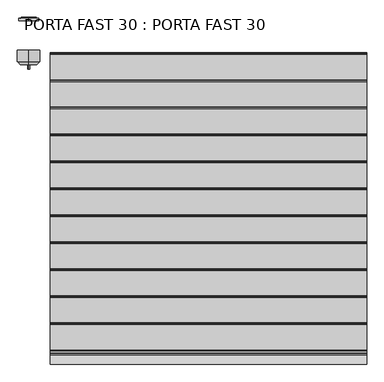
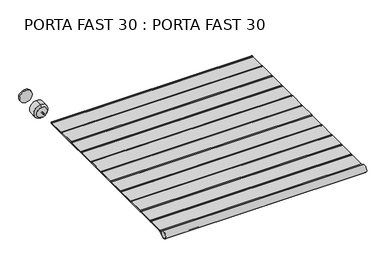
"""IFC4 building model written with IfcOpenShell, lengths in millimetres: proxy geometry, PORTA FAST 30 : PORTA FAST 30."""

from ifc_helpers import new_model, si_unit, point, frame, frame_2d, origin, place, context, project, spatial, polyline, circle_curve, trimmed, segment, composite_curve, outline, extrude, source, transform, mapped, element, save
from ifc_brep_helpers import plane_surface, cylinder_surface, revolved_surface, advanced_brep


def porta_fast_30_porta_fast_30_7d9c228d(model_context):
    return source(origin(), model_context, "Body", "SolidModel", [
        advanced_brep(
        [(-1080.0, 2130.1, 40.3354425), (-1080.0, 2130.1, 41.3883067), (1080.0, 2130.1, 41.3883067), (1080.0, 2130.1, 40.3354425), (-1080.0, 2130.1, 26.6009492), (-1080.0, 2130.1, 28.6637191), (1080.0, 2130.1, 28.6637191), (1080.0, 2130.1, 26.6009492), (-1080.0, 270.423037, 41.6982124), (-1080.0, 277.6216686, 34.4995808), (-1080.0, 284.8203002, 41.6982124), (-1080.0, 455.1599508, 41.6982124), (-1080.0, 462.3585824, 34.4995808), (-1080.0, 469.5572141, 41.6982124), (-1080.0, 639.8968646, 41.6982124), (-1080.0, 647.0954962, 34.4995808), (-1080.0, 654.2941279, 41.6982124), (-1080.0, 824.6337784, 41.6982124), (-1080.0, 831.83241, 34.4995808), (-1080.0, 839.0310417, 41.6982124), (-1080.0, 1009.3706922, 41.6982124), (-1080.0, 1016.5693238, 34.4995808), (-1080.0, 1023.7679555, 41.6982124), (-1080.0, 1194.107606, 41.6982124), (-1080.0, 1201.3062376, 34.4995808), (-1080.0, 1208.5048693, 41.6982124), (-1080.0, 1378.8445198, 41.6982124), (-1080.0, 1386.0431514, 34.4995808), (-1080.0, 1393.2417831, 41.6982124), (-1080.0, 1563.5814336, 41.6982124), (-1080.0, 1570.7800653, 34.4995808), (-1080.0, 1577.9786969, 41.6982124), (-1080.0, 1748.3183474, 41.6982124), (-1080.0, 1755.5169791, 34.4995808), (-1080.0, 1762.7156107, 41.6982124), (-1080.0, 1933.0552612, 41.6982124), (-1080.0, 1940.2538929, 34.4995808), (-1080.0, 1947.4525245, 41.6982124), (-1080.0, 2117.792175, 41.6982124), (-1080.0, 2124.9908067, 34.4995808), (-1080.0, 120.0, 26.6009492), (-1080.0, 120.0, 25.2009492), (-1080.0, 99.1431248, 25.2009492), (-1080.0, 63.2653061, -4.1084204), (-1080.0, 63.2653061, 55.9103188), (-1080.0, 92.6907338, 31.8720476), (-1080.0, 99.3927011, 41.6982124), (-1080.0, 2123.9908067, 34.4995808), (-1080.0, 2117.792175, 40.6982124), (-1080.0, 1947.4525245, 40.6982124), (-1080.0, 1947.4525245, 28.3009492), (-1080.0, 2127.2696703, 28.3009492), (-1080.0, 276.6216686, 34.4995808), (-1080.0, 270.423037, 40.6982124), (-1080.0, 99.3927011, 40.6982124), (-1080.0, 99.3927011, 28.3009492), (-1080.0, 279.9005322, 28.3009492), (-1080.0, 461.3585824, 34.4995808), (-1080.0, 455.1599508, 40.6982124), (-1080.0, 284.8203002, 40.6982124), (-1080.0, 284.8203002, 28.3009492), (-1080.0, 464.637446, 28.3009492), (-1080.0, 646.0954962, 34.4995808), (-1080.0, 639.8968646, 40.6982124), (-1080.0, 469.5572141, 40.6982124), (-1080.0, 469.5572141, 28.3009492), (-1080.0, 649.3743598, 28.3009492), (-1080.0, 830.83241, 34.4995808), (-1080.0, 824.6337784, 40.6982124), (-1080.0, 654.2941279, 40.6982124), (-1080.0, 654.2941279, 28.3009492), (-1080.0, 834.1112736, 28.3009492), (-1080.0, 1015.5693238, 34.4995808), (-1080.0, 1009.3706922, 40.6982124), (-1080.0, 839.0310417, 40.6982124), (-1080.0, 839.0310417, 28.3009492), (-1080.0, 1018.8481874, 28.3009492), (-1080.0, 1200.3062376, 34.4995808), (-1080.0, 1194.107606, 40.6982124), (-1080.0, 1023.7679555, 40.6982124), (-1080.0, 1023.7679555, 28.3009492), (-1080.0, 1203.5851012, 28.3009492), (-1080.0, 1385.0431514, 34.4995808), (-1080.0, 1378.8445198, 40.6982124), (-1080.0, 1208.5048693, 40.6982124), (-1080.0, 1208.5048693, 28.3009492), (-1080.0, 1388.322015, 28.3009492), (-1080.0, 1569.7800653, 34.4995808), (-1080.0, 1563.5814336, 40.6982124), (-1080.0, 1393.2417831, 40.6982124), (-1080.0, 1393.2417831, 28.3009492), (-1080.0, 1573.0589288, 28.3009492), (-1080.0, 1754.5169791, 34.4995808), (-1080.0, 1748.3183474, 40.6982124), (-1080.0, 1577.9786969, 40.6982124), (-1080.0, 1577.9786969, 28.3009492), (-1080.0, 1757.7958426, 28.3009492), (-1080.0, 1939.2538929, 34.4995808), (-1080.0, 1933.0552612, 40.6982124), (-1080.0, 1762.7156107, 40.6982124), (-1080.0, 1762.7156107, 28.3009492), (-1080.0, 1942.5327565, 28.3009492), (-1080.0, 62.6326531, -3.3339851), (-1080.0, 98.4193548, 25.9009492), (-1080.0, 62.6326531, 55.1358835), (1080.0, 270.423037, 41.6982124), (1080.0, 99.3927011, 41.6982124), (1080.0, 92.6907338, 31.8720476), (1080.0, 63.2653061, 55.9103188), (1080.0, 63.2653061, -4.1084204), (1080.0, 99.1431248, 25.2009492), (1080.0, 120.0, 25.2009492), (1080.0, 120.0, 26.6009492), (1080.0, 2124.9908067, 34.4995808), (1080.0, 2117.792175, 41.6982124), (1080.0, 1947.4525245, 41.6982124), (1080.0, 1940.2538929, 34.4995808), (1080.0, 1933.0552612, 41.6982124), (1080.0, 1762.7156107, 41.6982124), (1080.0, 1755.5169791, 34.4995808), (1080.0, 1748.3183474, 41.6982124), (1080.0, 1577.9786969, 41.6982124), (1080.0, 1570.7800653, 34.4995808), (1080.0, 1563.5814336, 41.6982124), (1080.0, 1393.2417831, 41.6982124), (1080.0, 1386.0431514, 34.4995808), (1080.0, 1378.8445198, 41.6982124), (1080.0, 1208.5048693, 41.6982124), (1080.0, 1201.3062376, 34.4995808), (1080.0, 1194.107606, 41.6982124), (1080.0, 1023.7679555, 41.6982124), (1080.0, 1016.5693238, 34.4995808), (1080.0, 1009.3706922, 41.6982124), (1080.0, 839.0310417, 41.6982124), (1080.0, 831.83241, 34.4995808), (1080.0, 824.6337784, 41.6982124), (1080.0, 654.2941279, 41.6982124), (1080.0, 647.0954962, 34.4995808), (1080.0, 639.8968646, 41.6982124), (1080.0, 469.5572141, 41.6982124), (1080.0, 462.3585824, 34.4995808), (1080.0, 455.1599508, 41.6982124), (1080.0, 284.8203002, 41.6982124), (1080.0, 277.6216686, 34.4995808), (1080.0, 2123.9908067, 34.4995808), (1080.0, 2127.2696703, 28.3009492), (1080.0, 1947.4525245, 28.3009492), (1080.0, 1947.4525245, 40.6982124), (1080.0, 2117.792175, 40.6982124), (1080.0, 276.6216686, 34.4995808), (1080.0, 279.9005322, 28.3009492), (1080.0, 99.3927011, 28.3009492), (1080.0, 99.3927011, 40.6982124), (1080.0, 270.423037, 40.6982124), (1080.0, 461.3585824, 34.4995808), (1080.0, 464.637446, 28.3009492), (1080.0, 284.8203002, 28.3009492), (1080.0, 284.8203002, 40.6982124), (1080.0, 455.1599508, 40.6982124), (1080.0, 646.0954962, 34.4995808), (1080.0, 649.3743598, 28.3009492), (1080.0, 469.5572141, 28.3009492), (1080.0, 469.5572141, 40.6982124), (1080.0, 639.8968646, 40.6982124), (1080.0, 830.83241, 34.4995808), (1080.0, 834.1112736, 28.3009492), (1080.0, 654.2941279, 28.3009492), (1080.0, 654.2941279, 40.6982124), (1080.0, 824.6337784, 40.6982124), (1080.0, 1015.5693238, 34.4995808), (1080.0, 1018.8481874, 28.3009492), (1080.0, 839.0310417, 28.3009492), (1080.0, 839.0310417, 40.6982124), (1080.0, 1009.3706922, 40.6982124), (1080.0, 1200.3062376, 34.4995808), (1080.0, 1203.5851012, 28.3009492), (1080.0, 1023.7679555, 28.3009492), (1080.0, 1023.7679555, 40.6982124), (1080.0, 1194.107606, 40.6982124), (1080.0, 1385.0431514, 34.4995808), (1080.0, 1388.322015, 28.3009492), (1080.0, 1208.5048693, 28.3009492), (1080.0, 1208.5048693, 40.6982124), (1080.0, 1378.8445198, 40.6982124), (1080.0, 1569.7800653, 34.4995808), (1080.0, 1573.0589288, 28.3009492), (1080.0, 1393.2417831, 28.3009492), (1080.0, 1393.2417831, 40.6982124), (1080.0, 1563.5814336, 40.6982124), (1080.0, 1754.5169791, 34.4995808), (1080.0, 1757.7958426, 28.3009492), (1080.0, 1577.9786969, 28.3009492), (1080.0, 1577.9786969, 40.6982124), (1080.0, 1748.3183474, 40.6982124), (1080.0, 1939.2538929, 34.4995808), (1080.0, 1942.5327565, 28.3009492), (1080.0, 1762.7156107, 28.3009492), (1080.0, 1762.7156107, 40.6982124), (1080.0, 1933.0552612, 40.6982124), (1080.0, 62.6326531, -3.3339851), (1080.0, 62.6326531, 55.1358835), (1080.0, 98.4193548, 25.9009492)],
        [
            (0, 1),
            (1, 2),
            (2, 3),
            (3, 0),
            (4, 5),
            (5, 6),
            (6, 7),
            (7, 4),
            (8, 9, circle_curve(frame((-1080.0, 270.423037, 34.4995808), z_axis=(-1.0, 0.0, 0.0), x_axis=(0.0, 1.0, 0.0)), 7.1986316)),
            (9, 10, circle_curve(frame((-1080.0, 284.8203002, 34.4995808), z_axis=(-1.0, 0.0, 0.0), x_axis=(0.0, 1.0, 0.0)), 7.1986316)),
            (10, 11),
            (11, 12, circle_curve(frame((-1080.0, 455.1599508, 34.4995808), z_axis=(-1.0, 0.0, 0.0), x_axis=(0.0, 1.0, 0.0)), 7.1986316)),
            (12, 13, circle_curve(frame((-1080.0, 469.5572141, 34.4995808), z_axis=(-1.0, 0.0, 0.0), x_axis=(0.0, 1.0, 0.0)), 7.1986316)),
            (13, 14),
            (14, 15, circle_curve(frame((-1080.0, 639.8968646, 34.4995808), z_axis=(-1.0, 0.0, 0.0), x_axis=(0.0, 1.0, 0.0)), 7.1986316)),
            (15, 16, circle_curve(frame((-1080.0, 654.2941279, 34.4995808), z_axis=(-1.0, 0.0, 0.0), x_axis=(0.0, 1.0, 0.0)), 7.1986316)),
            (16, 17),
            (17, 18, circle_curve(frame((-1080.0, 824.6337784, 34.4995808), z_axis=(-1.0, 0.0, 0.0), x_axis=(0.0, 1.0, 0.0)), 7.1986316)),
            (18, 19, circle_curve(frame((-1080.0, 839.0310417, 34.4995808), z_axis=(-1.0, 0.0, 0.0), x_axis=(0.0, 1.0, 0.0)), 7.1986316)),
            (19, 20),
            (20, 21, circle_curve(frame((-1080.0, 1009.3706922, 34.4995808), z_axis=(-1.0, 0.0, 0.0), x_axis=(0.0, 1.0, 0.0)), 7.1986316)),
            (21, 22, circle_curve(frame((-1080.0, 1023.7679555, 34.4995808), z_axis=(-1.0, 0.0, 0.0), x_axis=(0.0, 1.0, 0.0)), 7.1986316)),
            (22, 23),
            (23, 24, circle_curve(frame((-1080.0, 1194.107606, 34.4995808), z_axis=(-1.0, 0.0, 0.0), x_axis=(0.0, 1.0, 0.0)), 7.1986316)),
            (24, 25, circle_curve(frame((-1080.0, 1208.5048693, 34.4995808), z_axis=(-1.0, 0.0, 0.0), x_axis=(0.0, 1.0, 0.0)), 7.1986316)),
            (25, 26),
            (26, 27, circle_curve(frame((-1080.0, 1378.8445198, 34.4995808), z_axis=(-1.0, 0.0, 0.0), x_axis=(0.0, 1.0, 0.0)), 7.1986316)),
            (27, 28, circle_curve(frame((-1080.0, 1393.2417831, 34.4995808), z_axis=(-1.0, 0.0, 0.0), x_axis=(0.0, 1.0, 0.0)), 7.1986316)),
            (28, 29),
            (29, 30, circle_curve(frame((-1080.0, 1563.5814336, 34.4995808), z_axis=(-1.0, 0.0, 0.0), x_axis=(0.0, 1.0, 0.0)), 7.1986316)),
            (30, 31, circle_curve(frame((-1080.0, 1577.9786969, 34.4995808), z_axis=(-1.0, 0.0, 0.0), x_axis=(0.0, 1.0, 0.0)), 7.1986316)),
            (31, 32),
            (32, 33, circle_curve(frame((-1080.0, 1748.3183474, 34.4995808), z_axis=(-1.0, 0.0, 0.0), x_axis=(0.0, 1.0, 0.0)), 7.1986316)),
            (33, 34, circle_curve(frame((-1080.0, 1762.7156107, 34.4995808), z_axis=(-1.0, 0.0, 0.0), x_axis=(0.0, 1.0, 0.0)), 7.1986316)),
            (34, 35),
            (35, 36, circle_curve(frame((-1080.0, 1933.0552612, 34.4995808), z_axis=(-1.0, 0.0, 0.0), x_axis=(0.0, 1.0, 0.0)), 7.1986316)),
            (36, 37, circle_curve(frame((-1080.0, 1947.4525245, 34.4995808), z_axis=(-1.0, 0.0, 0.0), x_axis=(0.0, 1.0, 0.0)), 7.1986316)),
            (37, 38),
            (38, 39, circle_curve(frame((-1080.0, 2117.792175, 34.4995808), z_axis=(-1.0, 0.0, 0.0), x_axis=(0.0, 1.0, 0.0)), 7.1986316)),
            (39, 1, circle_curve(frame((-1080.0, 2132.1894383, 34.4995808), z_axis=(-1.0, 0.0, 0.0), x_axis=(0.0, 1.0, 0.0)), 7.1986316)),
            (0, 5, circle_curve(frame((-1080.0, 2132.1894383, 34.4995808), z_axis=(1.0, 0.0, 0.0), x_axis=(0.0, 1.0, 0.0)), 6.1986316)),
            (4, 40),
            (40, 41),
            (41, 42),
            (42, 43),
            (43, 44, circle_curve(frame((-1080.0, 38.75, 25.9009492), z_axis=(-1.0, 0.0, 0.0), x_axis=(0.0, 1.0, 0.0)), 38.75)),
            (44, 45),
            (45, 46, circle_curve(frame((-1080.0, 99.3927011, 34.4995808), z_axis=(-1.0, 0.0, 0.0), x_axis=(0.0, 1.0, 0.0)), 7.1986316)),
            (46, 8),
            (47, 48, circle_curve(frame((-1080.0, 2117.792175, 34.4995808), z_axis=(1.0, 0.0, 0.0), x_axis=(0.0, 1.0, 0.0)), 6.1986316)),
            (48, 49),
            (49, 50, circle_curve(frame((-1080.0, 1947.4525245, 34.4995808), z_axis=(1.0, 0.0, 0.0), x_axis=(0.0, 1.0, 0.0)), 6.1986316)),
            (50, 51),
            (51, 47, circle_curve(frame((-1080.0, 2131.4894383, 34.4995808), z_axis=(-1.0, 0.0, 0.0), x_axis=(0.0, 1.0, 0.0)), 7.4986316)),
            (52, 53, circle_curve(frame((-1080.0, 270.423037, 34.4995808), z_axis=(1.0, 0.0, 0.0), x_axis=(0.0, 1.0, 0.0)), 6.1986316)),
            (53, 54),
            (54, 55, circle_curve(frame((-1080.0, 99.3927011, 34.4995808), z_axis=(1.0, 0.0, 0.0), x_axis=(0.0, 1.0, 0.0)), 6.1986316)),
            (55, 56),
            (56, 52, circle_curve(frame((-1080.0, 284.1203002, 34.4995808), z_axis=(-1.0, 0.0, 0.0), x_axis=(0.0, 1.0, 0.0)), 7.4986316)),
            (57, 58, circle_curve(frame((-1080.0, 455.1599508, 34.4995808), z_axis=(1.0, 0.0, 0.0), x_axis=(0.0, 1.0, 0.0)), 6.1986316)),
            (58, 59),
            (59, 60, circle_curve(frame((-1080.0, 284.8203002, 34.4995808), z_axis=(1.0, 0.0, 0.0), x_axis=(0.0, 1.0, 0.0)), 6.1986316)),
            (60, 61),
            (61, 57, circle_curve(frame((-1080.0, 468.8572141, 34.4995808), z_axis=(-1.0, 0.0, 0.0), x_axis=(0.0, 1.0, 0.0)), 7.4986316)),
            (62, 63, circle_curve(frame((-1080.0, 639.8968646, 34.4995808), z_axis=(1.0, 0.0, 0.0), x_axis=(0.0, 1.0, 0.0)), 6.1986316)),
            (63, 64),
            (64, 65, circle_curve(frame((-1080.0, 469.5572141, 34.4995808), z_axis=(1.0, 0.0, 0.0), x_axis=(0.0, 1.0, 0.0)), 6.1986316)),
            (65, 66),
            (66, 62, circle_curve(frame((-1080.0, 653.5941279, 34.4995808), z_axis=(-1.0, 0.0, 0.0), x_axis=(0.0, 1.0, 0.0)), 7.4986316)),
            (67, 68, circle_curve(frame((-1080.0, 824.6337784, 34.4995808), z_axis=(1.0, 0.0, 0.0), x_axis=(0.0, 1.0, 0.0)), 6.1986316)),
            (68, 69),
            (69, 70, circle_curve(frame((-1080.0, 654.2941279, 34.4995808), z_axis=(1.0, 0.0, 0.0), x_axis=(0.0, 1.0, 0.0)), 6.1986316)),
            (70, 71),
            (71, 67, circle_curve(frame((-1080.0, 838.3310417, 34.4995808), z_axis=(-1.0, 0.0, 0.0), x_axis=(0.0, 1.0, 0.0)), 7.4986316)),
            (72, 73, circle_curve(frame((-1080.0, 1009.3706922, 34.4995808), z_axis=(1.0, 0.0, 0.0), x_axis=(0.0, 1.0, 0.0)), 6.1986316)),
            (73, 74),
            (74, 75, circle_curve(frame((-1080.0, 839.0310417, 34.4995808), z_axis=(1.0, 0.0, 0.0), x_axis=(0.0, 1.0, 0.0)), 6.1986316)),
            (75, 76),
            (76, 72, circle_curve(frame((-1080.0, 1023.0679555, 34.4995808), z_axis=(-1.0, 0.0, 0.0), x_axis=(0.0, 1.0, 0.0)), 7.4986316)),
            (77, 78, circle_curve(frame((-1080.0, 1194.107606, 34.4995808), z_axis=(1.0, 0.0, 0.0), x_axis=(0.0, 1.0, 0.0)), 6.1986316)),
            (78, 79),
            (79, 80, circle_curve(frame((-1080.0, 1023.7679555, 34.4995808), z_axis=(1.0, 0.0, 0.0), x_axis=(0.0, 1.0, 0.0)), 6.1986316)),
            (80, 81),
            (81, 77, circle_curve(frame((-1080.0, 1207.8048693, 34.4995808), z_axis=(-1.0, 0.0, 0.0), x_axis=(0.0, 1.0, 0.0)), 7.4986316)),
            (82, 83, circle_curve(frame((-1080.0, 1378.8445198, 34.4995808), z_axis=(1.0, 0.0, 0.0), x_axis=(0.0, 1.0, 0.0)), 6.1986316)),
            (83, 84),
            (84, 85, circle_curve(frame((-1080.0, 1208.5048693, 34.4995808), z_axis=(1.0, 0.0, 0.0), x_axis=(0.0, 1.0, 0.0)), 6.1986316)),
            (85, 86),
            (86, 82, circle_curve(frame((-1080.0, 1392.5417831, 34.4995808), z_axis=(-1.0, 0.0, 0.0), x_axis=(0.0, 1.0, 0.0)), 7.4986316)),
            (87, 88, circle_curve(frame((-1080.0, 1563.5814336, 34.4995808), z_axis=(1.0, 0.0, 0.0), x_axis=(0.0, 1.0, 0.0)), 6.1986316)),
            (88, 89),
            (89, 90, circle_curve(frame((-1080.0, 1393.2417831, 34.4995808), z_axis=(1.0, 0.0, 0.0), x_axis=(0.0, 1.0, 0.0)), 6.1986316)),
            (90, 91),
            (91, 87, circle_curve(frame((-1080.0, 1577.2786969, 34.4995808), z_axis=(-1.0, 0.0, 0.0), x_axis=(0.0, 1.0, 0.0)), 7.4986316)),
            (92, 93, circle_curve(frame((-1080.0, 1748.3183474, 34.4995808), z_axis=(1.0, 0.0, 0.0), x_axis=(0.0, 1.0, 0.0)), 6.1986316)),
            (93, 94),
            (94, 95, circle_curve(frame((-1080.0, 1577.9786969, 34.4995808), z_axis=(1.0, 0.0, 0.0), x_axis=(0.0, 1.0, 0.0)), 6.1986316)),
            (95, 96),
            (96, 92, circle_curve(frame((-1080.0, 1762.0156107, 34.4995808), z_axis=(-1.0, 0.0, 0.0), x_axis=(0.0, 1.0, 0.0)), 7.4986316)),
            (97, 98, circle_curve(frame((-1080.0, 1933.0552612, 34.4995808), z_axis=(1.0, 0.0, 0.0), x_axis=(0.0, 1.0, 0.0)), 6.1986316)),
            (98, 99),
            (99, 100, circle_curve(frame((-1080.0, 1762.7156107, 34.4995808), z_axis=(1.0, 0.0, 0.0), x_axis=(0.0, 1.0, 0.0)), 6.1986316)),
            (100, 101),
            (101, 97, circle_curve(frame((-1080.0, 1946.7525245, 34.4995808), z_axis=(-1.0, 0.0, 0.0), x_axis=(0.0, 1.0, 0.0)), 7.4986316)),
            (102, 103),
            (103, 104),
            (104, 102, circle_curve(frame((-1080.0, 38.75, 25.9009492), z_axis=(1.0, 0.0, 0.0), x_axis=(0.0, 1.0, 0.0)), 37.75)),
            (105, 106),
            (106, 107, circle_curve(frame((1080.0, 99.3927011, 34.4995808), z_axis=(1.0, 0.0, 0.0), x_axis=(0.0, 1.0, 0.0)), 7.1986316)),
            (107, 108),
            (108, 109, circle_curve(frame((1080.0, 38.75, 25.9009492), z_axis=(1.0, 0.0, 0.0), x_axis=(0.0, 1.0, 0.0)), 38.75)),
            (109, 110),
            (110, 111),
            (111, 112),
            (112, 7),
            (6, 3, circle_curve(frame((1080.0, 2132.1894383, 34.4995808), z_axis=(-1.0, 0.0, 0.0), x_axis=(0.0, 1.0, 0.0)), 6.1986316)),
            (2, 113, circle_curve(frame((1080.0, 2132.1894383, 34.4995808), z_axis=(1.0, 0.0, 0.0), x_axis=(0.0, 1.0, 0.0)), 7.1986316)),
            (113, 114, circle_curve(frame((1080.0, 2117.792175, 34.4995808), z_axis=(1.0, 0.0, 0.0), x_axis=(0.0, 1.0, 0.0)), 7.1986316)),
            (114, 115),
            (115, 116, circle_curve(frame((1080.0, 1947.4525245, 34.4995808), z_axis=(1.0, 0.0, 0.0), x_axis=(0.0, 1.0, 0.0)), 7.1986316)),
            (116, 117, circle_curve(frame((1080.0, 1933.0552612, 34.4995808), z_axis=(1.0, 0.0, 0.0), x_axis=(0.0, 1.0, 0.0)), 7.1986316)),
            (117, 118),
            (118, 119, circle_curve(frame((1080.0, 1762.7156107, 34.4995808), z_axis=(1.0, 0.0, 0.0), x_axis=(0.0, 1.0, 0.0)), 7.1986316)),
            (119, 120, circle_curve(frame((1080.0, 1748.3183474, 34.4995808), z_axis=(1.0, 0.0, 0.0), x_axis=(0.0, 1.0, 0.0)), 7.1986316)),
            (120, 121),
            (121, 122, circle_curve(frame((1080.0, 1577.9786969, 34.4995808), z_axis=(1.0, 0.0, 0.0), x_axis=(0.0, 1.0, 0.0)), 7.1986316)),
            (122, 123, circle_curve(frame((1080.0, 1563.5814336, 34.4995808), z_axis=(1.0, 0.0, 0.0), x_axis=(0.0, 1.0, 0.0)), 7.1986316)),
            (123, 124),
            (124, 125, circle_curve(frame((1080.0, 1393.2417831, 34.4995808), z_axis=(1.0, 0.0, 0.0), x_axis=(0.0, 1.0, 0.0)), 7.1986316)),
            (125, 126, circle_curve(frame((1080.0, 1378.8445198, 34.4995808), z_axis=(1.0, 0.0, 0.0), x_axis=(0.0, 1.0, 0.0)), 7.1986316)),
            (126, 127),
            (127, 128, circle_curve(frame((1080.0, 1208.5048693, 34.4995808), z_axis=(1.0, 0.0, 0.0), x_axis=(0.0, 1.0, 0.0)), 7.1986316)),
            (128, 129, circle_curve(frame((1080.0, 1194.107606, 34.4995808), z_axis=(1.0, 0.0, 0.0), x_axis=(0.0, 1.0, 0.0)), 7.1986316)),
            (129, 130),
            (130, 131, circle_curve(frame((1080.0, 1023.7679555, 34.4995808), z_axis=(1.0, 0.0, 0.0), x_axis=(0.0, 1.0, 0.0)), 7.1986316)),
            (131, 132, circle_curve(frame((1080.0, 1009.3706922, 34.4995808), z_axis=(1.0, 0.0, 0.0), x_axis=(0.0, 1.0, 0.0)), 7.1986316)),
            (132, 133),
            (133, 134, circle_curve(frame((1080.0, 839.0310417, 34.4995808), z_axis=(1.0, 0.0, 0.0), x_axis=(0.0, 1.0, 0.0)), 7.1986316)),
            (134, 135, circle_curve(frame((1080.0, 824.6337784, 34.4995808), z_axis=(1.0, 0.0, 0.0), x_axis=(0.0, 1.0, 0.0)), 7.1986316)),
            (135, 136),
            (136, 137, circle_curve(frame((1080.0, 654.2941279, 34.4995808), z_axis=(1.0, 0.0, 0.0), x_axis=(0.0, 1.0, 0.0)), 7.1986316)),
            (137, 138, circle_curve(frame((1080.0, 639.8968646, 34.4995808), z_axis=(1.0, 0.0, 0.0), x_axis=(0.0, 1.0, 0.0)), 7.1986316)),
            (138, 139),
            (139, 140, circle_curve(frame((1080.0, 469.5572141, 34.4995808), z_axis=(1.0, 0.0, 0.0), x_axis=(0.0, 1.0, 0.0)), 7.1986316)),
            (140, 141, circle_curve(frame((1080.0, 455.1599508, 34.4995808), z_axis=(1.0, 0.0, 0.0), x_axis=(0.0, 1.0, 0.0)), 7.1986316)),
            (141, 142),
            (142, 143, circle_curve(frame((1080.0, 284.8203002, 34.4995808), z_axis=(1.0, 0.0, 0.0), x_axis=(0.0, 1.0, 0.0)), 7.1986316)),
            (143, 105, circle_curve(frame((1080.0, 270.423037, 34.4995808), z_axis=(1.0, 0.0, 0.0), x_axis=(0.0, 1.0, 0.0)), 7.1986316)),
            (144, 145, circle_curve(frame((1080.0, 2131.4894383, 34.4995808), z_axis=(1.0, 0.0, 0.0), x_axis=(0.0, 1.0, 0.0)), 7.4986316)),
            (145, 146),
            (146, 147, circle_curve(frame((1080.0, 1947.4525245, 34.4995808), z_axis=(-1.0, 0.0, 0.0), x_axis=(0.0, 1.0, 0.0)), 6.1986316)),
            (147, 148),
            (148, 144, circle_curve(frame((1080.0, 2117.792175, 34.4995808), z_axis=(-1.0, 0.0, 0.0), x_axis=(0.0, 1.0, 0.0)), 6.1986316)),
            (149, 150, circle_curve(frame((1080.0, 284.1203002, 34.4995808), z_axis=(1.0, 0.0, 0.0), x_axis=(0.0, 1.0, 0.0)), 7.4986316)),
            (150, 151),
            (151, 152, circle_curve(frame((1080.0, 99.3927011, 34.4995808), z_axis=(-1.0, 0.0, 0.0), x_axis=(0.0, 1.0, 0.0)), 6.1986316)),
            (152, 153),
            (153, 149, circle_curve(frame((1080.0, 270.423037, 34.4995808), z_axis=(-1.0, 0.0, 0.0), x_axis=(0.0, 1.0, 0.0)), 6.1986316)),
            (154, 155, circle_curve(frame((1080.0, 468.8572141, 34.4995808), z_axis=(1.0, 0.0, 0.0), x_axis=(0.0, 1.0, 0.0)), 7.4986316)),
            (155, 156),
            (156, 157, circle_curve(frame((1080.0, 284.8203002, 34.4995808), z_axis=(-1.0, 0.0, 0.0), x_axis=(0.0, 1.0, 0.0)), 6.1986316)),
            (157, 158),
            (158, 154, circle_curve(frame((1080.0, 455.1599508, 34.4995808), z_axis=(-1.0, 0.0, 0.0), x_axis=(0.0, 1.0, 0.0)), 6.1986316)),
            (159, 160, circle_curve(frame((1080.0, 653.5941279, 34.4995808), z_axis=(1.0, 0.0, 0.0), x_axis=(0.0, 1.0, 0.0)), 7.4986316)),
            (160, 161),
            (161, 162, circle_curve(frame((1080.0, 469.5572141, 34.4995808), z_axis=(-1.0, 0.0, 0.0), x_axis=(0.0, 1.0, 0.0)), 6.1986316)),
            (162, 163),
            (163, 159, circle_curve(frame((1080.0, 639.8968646, 34.4995808), z_axis=(-1.0, 0.0, 0.0), x_axis=(0.0, 1.0, 0.0)), 6.1986316)),
            (164, 165, circle_curve(frame((1080.0, 838.3310417, 34.4995808), z_axis=(1.0, 0.0, 0.0), x_axis=(0.0, 1.0, 0.0)), 7.4986316)),
            (165, 166),
            (166, 167, circle_curve(frame((1080.0, 654.2941279, 34.4995808), z_axis=(-1.0, 0.0, 0.0), x_axis=(0.0, 1.0, 0.0)), 6.1986316)),
            (167, 168),
            (168, 164, circle_curve(frame((1080.0, 824.6337784, 34.4995808), z_axis=(-1.0, 0.0, 0.0), x_axis=(0.0, 1.0, 0.0)), 6.1986316)),
            (169, 170, circle_curve(frame((1080.0, 1023.0679555, 34.4995808), z_axis=(1.0, 0.0, 0.0), x_axis=(0.0, 1.0, 0.0)), 7.4986316)),
            (170, 171),
            (171, 172, circle_curve(frame((1080.0, 839.0310417, 34.4995808), z_axis=(-1.0, 0.0, 0.0), x_axis=(0.0, 1.0, 0.0)), 6.1986316)),
            (172, 173),
            (173, 169, circle_curve(frame((1080.0, 1009.3706922, 34.4995808), z_axis=(-1.0, 0.0, 0.0), x_axis=(0.0, 1.0, 0.0)), 6.1986316)),
            (174, 175, circle_curve(frame((1080.0, 1207.8048693, 34.4995808), z_axis=(1.0, 0.0, 0.0), x_axis=(0.0, 1.0, 0.0)), 7.4986316)),
            (175, 176),
            (176, 177, circle_curve(frame((1080.0, 1023.7679555, 34.4995808), z_axis=(-1.0, 0.0, 0.0), x_axis=(0.0, 1.0, 0.0)), 6.1986316)),
            (177, 178),
            (178, 174, circle_curve(frame((1080.0, 1194.107606, 34.4995808), z_axis=(-1.0, 0.0, 0.0), x_axis=(0.0, 1.0, 0.0)), 6.1986316)),
            (179, 180, circle_curve(frame((1080.0, 1392.5417831, 34.4995808), z_axis=(1.0, 0.0, 0.0), x_axis=(0.0, 1.0, 0.0)), 7.4986316)),
            (180, 181),
            (181, 182, circle_curve(frame((1080.0, 1208.5048693, 34.4995808), z_axis=(-1.0, 0.0, 0.0), x_axis=(0.0, 1.0, 0.0)), 6.1986316)),
            (182, 183),
            (183, 179, circle_curve(frame((1080.0, 1378.8445198, 34.4995808), z_axis=(-1.0, 0.0, 0.0), x_axis=(0.0, 1.0, 0.0)), 6.1986316)),
            (184, 185, circle_curve(frame((1080.0, 1577.2786969, 34.4995808), z_axis=(1.0, 0.0, 0.0), x_axis=(0.0, 1.0, 0.0)), 7.4986316)),
            (185, 186),
            (186, 187, circle_curve(frame((1080.0, 1393.2417831, 34.4995808), z_axis=(-1.0, 0.0, 0.0), x_axis=(0.0, 1.0, 0.0)), 6.1986316)),
            (187, 188),
            (188, 184, circle_curve(frame((1080.0, 1563.5814336, 34.4995808), z_axis=(-1.0, 0.0, 0.0), x_axis=(0.0, 1.0, 0.0)), 6.1986316)),
            (189, 190, circle_curve(frame((1080.0, 1762.0156107, 34.4995808), z_axis=(1.0, 0.0, 0.0), x_axis=(0.0, 1.0, 0.0)), 7.4986316)),
            (190, 191),
            (191, 192, circle_curve(frame((1080.0, 1577.9786969, 34.4995808), z_axis=(-1.0, 0.0, 0.0), x_axis=(0.0, 1.0, 0.0)), 6.1986316)),
            (192, 193),
            (193, 189, circle_curve(frame((1080.0, 1748.3183474, 34.4995808), z_axis=(-1.0, 0.0, 0.0), x_axis=(0.0, 1.0, 0.0)), 6.1986316)),
            (194, 195, circle_curve(frame((1080.0, 1946.7525245, 34.4995808), z_axis=(1.0, 0.0, 0.0), x_axis=(0.0, 1.0, 0.0)), 7.4986316)),
            (195, 196),
            (196, 197, circle_curve(frame((1080.0, 1762.7156107, 34.4995808), z_axis=(-1.0, 0.0, 0.0), x_axis=(0.0, 1.0, 0.0)), 6.1986316)),
            (197, 198),
            (198, 194, circle_curve(frame((1080.0, 1933.0552612, 34.4995808), z_axis=(-1.0, 0.0, 0.0), x_axis=(0.0, 1.0, 0.0)), 6.1986316)),
            (199, 200, circle_curve(frame((1080.0, 38.75, 25.9009492), z_axis=(-1.0, 0.0, 0.0), x_axis=(0.0, 1.0, 0.0)), 37.75)),
            (200, 201),
            (201, 199),
            (46, 106),
            (105, 8),
            (45, 107),
            (41, 111),
            (110, 42),
            (40, 112),
            (37, 115),
            (114, 38),
            (36, 116),
            (35, 117),
            (34, 118),
            (33, 119),
            (32, 120),
            (31, 121),
            (30, 122),
            (29, 123),
            (28, 124),
            (27, 125),
            (26, 126),
            (25, 127),
            (24, 128),
            (23, 129),
            (22, 130),
            (21, 131),
            (20, 132),
            (19, 133),
            (18, 134),
            (17, 135),
            (16, 136),
            (15, 137),
            (14, 138),
            (13, 139),
            (12, 140),
            (11, 141),
            (10, 142),
            (9, 143),
            (56, 150),
            (149, 52),
            (55, 151),
            (54, 152),
            (53, 153),
            (61, 155),
            (154, 57),
            (60, 156),
            (59, 157),
            (58, 158),
            (66, 160),
            (159, 62),
            (65, 161),
            (64, 162),
            (63, 163),
            (71, 165),
            (164, 67),
            (70, 166),
            (69, 167),
            (68, 168),
            (76, 170),
            (169, 72),
            (75, 171),
            (74, 172),
            (73, 173),
            (81, 175),
            (174, 77),
            (80, 176),
            (79, 177),
            (78, 178),
            (86, 180),
            (179, 82),
            (85, 181),
            (84, 182),
            (83, 183),
            (91, 185),
            (184, 87),
            (90, 186),
            (89, 187),
            (88, 188),
            (96, 190),
            (189, 92),
            (95, 191),
            (94, 192),
            (93, 193),
            (101, 195),
            (194, 97),
            (100, 196),
            (99, 197),
            (98, 198),
            (50, 146),
            (145, 51),
            (49, 147),
            (48, 148),
            (44, 108),
            (43, 109),
            (104, 200),
            (199, 102),
            (103, 201),
            (39, 113),
            (144, 47),
        ],
        [
            plane_surface(frame((1080.0, 2130.1, 421.6982124), z_axis=(0.0, 1.0, 0.0), x_axis=(-1.0, 0.0, 0.0))),
            plane_surface(frame((-1080.0, 270.423037, 41.6982124), z_axis=(-1.0, 0.0, 0.0), x_axis=(0.0, 1.0, 0.0))),
            plane_surface(frame((1080.0, 270.423037, 41.6982124), z_axis=(1.0, 0.0, 0.0), x_axis=(0.0, -1.0, 0.0))),
            plane_surface(frame((1080.0, 270.423037, 41.6982124), z_axis=(0.0, 0.0, 1.0), x_axis=(-1.0, 0.0, 0.0))),
            cylinder_surface(frame((-1080.0, 99.3927011, 34.4995808), z_axis=(1.0, 0.0, 0.0), x_axis=(0.0, 1.0, 0.0)), 7.1986316),
            plane_surface(frame((1080.0, 99.1431248, 25.2009492), z_axis=(0.0, 0.0, -1.0), x_axis=(-1.0, 0.0, 0.0))),
            plane_surface(frame((1080.0, 120.0, 25.2009492), z_axis=(0.0, 1.0, 0.0), x_axis=(-1.0, 0.0, 0.0))),
            plane_surface(frame((1080.0, 120.0, 26.6009492), z_axis=(0.0, 0.0, -1.0), x_axis=(-1.0, 0.0, 0.0))),
            plane_surface(frame((1080.0, 2117.792175, 41.6982124), z_axis=(0.0, 0.0, 1.0), x_axis=(-1.0, 0.0, 0.0))),
            cylinder_surface(frame((-1080.0, 1947.4525245, 34.4995808), z_axis=(1.0, 0.0, 0.0), x_axis=(0.0, 1.0, 0.0)), 7.1986316),
            cylinder_surface(frame((-1080.0, 1933.0552612, 34.4995808), z_axis=(1.0, 0.0, 0.0), x_axis=(0.0, 1.0, 0.0)), 7.1986316),
            plane_surface(frame((1080.0, 1933.0552612, 41.6982124), z_axis=(0.0, 0.0, 1.0), x_axis=(-1.0, 0.0, 0.0))),
            cylinder_surface(frame((-1080.0, 1762.7156107, 34.4995808), z_axis=(1.0, 0.0, 0.0), x_axis=(0.0, 1.0, 0.0)), 7.1986316),
            cylinder_surface(frame((-1080.0, 1748.3183474, 34.4995808), z_axis=(1.0, 0.0, 0.0), x_axis=(0.0, 1.0, 0.0)), 7.1986316),
            plane_surface(frame((1080.0, 1748.3183474, 41.6982124), z_axis=(0.0, 0.0, 1.0), x_axis=(-1.0, 0.0, 0.0))),
            cylinder_surface(frame((-1080.0, 1577.9786969, 34.4995808), z_axis=(1.0, 0.0, 0.0), x_axis=(0.0, 1.0, 0.0)), 7.1986316),
            cylinder_surface(frame((-1080.0, 1563.5814336, 34.4995808), z_axis=(1.0, 0.0, 0.0), x_axis=(0.0, 1.0, 0.0)), 7.1986316),
            plane_surface(frame((1080.0, 1563.5814336, 41.6982124), z_axis=(0.0, 0.0, 1.0), x_axis=(-1.0, 0.0, 0.0))),
            cylinder_surface(frame((-1080.0, 1393.2417831, 34.4995808), z_axis=(1.0, 0.0, 0.0), x_axis=(0.0, 1.0, 0.0)), 7.1986316),
            cylinder_surface(frame((-1080.0, 1378.8445198, 34.4995808), z_axis=(1.0, 0.0, 0.0), x_axis=(0.0, 1.0, 0.0)), 7.1986316),
            plane_surface(frame((1080.0, 1378.8445198, 41.6982124), z_axis=(0.0, 0.0, 1.0), x_axis=(-1.0, 0.0, 0.0))),
            cylinder_surface(frame((-1080.0, 1208.5048693, 34.4995808), z_axis=(1.0, 0.0, 0.0), x_axis=(0.0, 1.0, 0.0)), 7.1986316),
            cylinder_surface(frame((-1080.0, 1194.107606, 34.4995808), z_axis=(1.0, 0.0, 0.0), x_axis=(0.0, 1.0, 0.0)), 7.1986316),
            plane_surface(frame((1080.0, 1194.107606, 41.6982124), z_axis=(0.0, 0.0, 1.0), x_axis=(-1.0, 0.0, 0.0))),
            cylinder_surface(frame((-1080.0, 1023.7679555, 34.4995808), z_axis=(1.0, 0.0, 0.0), x_axis=(0.0, 1.0, 0.0)), 7.1986316),
            cylinder_surface(frame((-1080.0, 1009.3706922, 34.4995808), z_axis=(1.0, 0.0, 0.0), x_axis=(0.0, 1.0, 0.0)), 7.1986316),
            plane_surface(frame((1080.0, 1009.3706922, 41.6982124), z_axis=(0.0, 0.0, 1.0), x_axis=(-1.0, 0.0, 0.0))),
            cylinder_surface(frame((-1080.0, 839.0310417, 34.4995808), z_axis=(1.0, 0.0, 0.0), x_axis=(0.0, 1.0, 0.0)), 7.1986316),
            cylinder_surface(frame((-1080.0, 824.6337784, 34.4995808), z_axis=(1.0, 0.0, 0.0), x_axis=(0.0, 1.0, 0.0)), 7.1986316),
            plane_surface(frame((1080.0, 824.6337784, 41.6982124), z_axis=(0.0, 0.0, 1.0), x_axis=(-1.0, 0.0, 0.0))),
            cylinder_surface(frame((-1080.0, 654.2941279, 34.4995808), z_axis=(1.0, 0.0, 0.0), x_axis=(0.0, 1.0, 0.0)), 7.1986316),
            cylinder_surface(frame((-1080.0, 639.8968646, 34.4995808), z_axis=(1.0, 0.0, 0.0), x_axis=(0.0, 1.0, 0.0)), 7.1986316),
            plane_surface(frame((1080.0, 639.8968646, 41.6982124), z_axis=(0.0, 0.0, 1.0), x_axis=(-1.0, 0.0, 0.0))),
            cylinder_surface(frame((-1080.0, 469.5572141, 34.4995808), z_axis=(1.0, 0.0, 0.0), x_axis=(0.0, 1.0, 0.0)), 7.1986316),
            cylinder_surface(frame((-1080.0, 455.1599508, 34.4995808), z_axis=(1.0, 0.0, 0.0), x_axis=(0.0, 1.0, 0.0)), 7.1986316),
            plane_surface(frame((1080.0, 455.1599508, 41.6982124), z_axis=(0.0, 0.0, 1.0), x_axis=(-1.0, 0.0, 0.0))),
            cylinder_surface(frame((-1080.0, 284.8203002, 34.4995808), z_axis=(1.0, 0.0, 0.0), x_axis=(0.0, 1.0, 0.0)), 7.1986316),
            cylinder_surface(frame((-1080.0, 270.423037, 34.4995808), z_axis=(1.0, 0.0, 0.0), x_axis=(0.0, 1.0, 0.0)), 7.1986316),
            cylinder_surface(frame((0.0, 284.1203002, 34.4995808), z_axis=(1.0, 0.0, 0.0), x_axis=(0.0, 1.0, 0.0)), 7.4986316),
            plane_surface(frame((1080.0, 279.9005322, 28.3009492), z_axis=(0.0, 0.0, 1.0), x_axis=(-1.0, 0.0, 0.0))),
            revolved_surface(polyline([(-1080.0, 105.5913327, 34.4995808), (1080.0, 105.5913327, 34.4995808)]), (0.0, 99.3927011, 34.4995808), (-1.0, 0.0, 0.0)),
            plane_surface(frame((1080.0, 99.3927011, 40.6982124), z_axis=(0.0, 0.0, -1.0), x_axis=(-1.0, 0.0, 0.0))),
            revolved_surface(polyline([(-1080.0, 276.6216686, 34.4995808), (1080.0, 276.6216686, 34.4995808)]), (0.0, 270.423037, 34.4995808), (-1.0, 0.0, 0.0)),
            cylinder_surface(frame((0.0, 468.8572141, 34.4995808), z_axis=(1.0, 0.0, 0.0), x_axis=(0.0, 1.0, 0.0)), 7.4986316),
            plane_surface(frame((1080.0, 464.637446, 28.3009492), z_axis=(0.0, 0.0, 1.0), x_axis=(-1.0, 0.0, 0.0))),
            revolved_surface(polyline([(-1080.0, 291.0189318, 34.4995808), (1080.0, 291.0189318, 34.4995808)]), (0.0, 284.8203002, 34.4995808), (-1.0, 0.0, 0.0)),
            plane_surface(frame((1080.0, 284.8203002, 40.6982124), z_axis=(0.0, 0.0, -1.0), x_axis=(-1.0, 0.0, 0.0))),
            revolved_surface(polyline([(-1080.0, 461.3585824, 34.4995808), (1080.0, 461.3585824, 34.4995808)]), (0.0, 455.1599508, 34.4995808), (-1.0, 0.0, 0.0)),
            cylinder_surface(frame((0.0, 653.5941279, 34.4995808), z_axis=(1.0, 0.0, 0.0), x_axis=(0.0, 1.0, 0.0)), 7.4986316),
            plane_surface(frame((1080.0, 649.3743598, 28.3009492), z_axis=(0.0, 0.0, 1.0), x_axis=(-1.0, 0.0, 0.0))),
            revolved_surface(polyline([(-1080.0, 475.7558457, 34.4995808), (1080.0, 475.7558457, 34.4995808)]), (0.0, 469.5572141, 34.4995808), (-1.0, 0.0, 0.0)),
            plane_surface(frame((1080.0, 469.5572141, 40.6982124), z_axis=(0.0, 0.0, -1.0), x_axis=(-1.0, 0.0, 0.0))),
            revolved_surface(polyline([(-1080.0, 646.0954962, 34.4995808), (1080.0, 646.0954962, 34.4995808)]), (0.0, 639.8968646, 34.4995808), (-1.0, 0.0, 0.0)),
            cylinder_surface(frame((0.0, 838.3310417, 34.4995808), z_axis=(1.0, 0.0, 0.0), x_axis=(0.0, 1.0, 0.0)), 7.4986316),
            plane_surface(frame((1080.0, 834.1112736, 28.3009492), z_axis=(0.0, 0.0, 1.0), x_axis=(-1.0, 0.0, 0.0))),
            revolved_surface(polyline([(-1080.0, 660.4927595, 34.4995808), (1080.0, 660.4927595, 34.4995808)]), (0.0, 654.2941279, 34.4995808), (-1.0, 0.0, 0.0)),
            plane_surface(frame((1080.0, 654.2941279, 40.6982124), z_axis=(0.0, 0.0, -1.0), x_axis=(-1.0, 0.0, 0.0))),
            revolved_surface(polyline([(-1080.0, 830.83241, 34.4995808), (1080.0, 830.83241, 34.4995808)]), (0.0, 824.6337784, 34.4995808), (-1.0, 0.0, 0.0)),
            cylinder_surface(frame((0.0, 1023.0679555, 34.4995808), z_axis=(1.0, 0.0, 0.0), x_axis=(0.0, 1.0, 0.0)), 7.4986316),
            plane_surface(frame((1080.0, 1018.8481874, 28.3009492), z_axis=(0.0, 0.0, 1.0), x_axis=(-1.0, 0.0, 0.0))),
            revolved_surface(polyline([(-1080.0, 845.2296733, 34.4995808), (1080.0, 845.2296733, 34.4995808)]), (0.0, 839.0310417, 34.4995808), (-1.0, 0.0, 0.0)),
            plane_surface(frame((1080.0, 839.0310417, 40.6982124), z_axis=(0.0, 0.0, -1.0), x_axis=(-1.0, 0.0, 0.0))),
            revolved_surface(polyline([(-1080.0, 1015.5693238, 34.4995808), (1080.0, 1015.5693238, 34.4995808)]), (0.0, 1009.3706922, 34.4995808), (-1.0, 0.0, 0.0)),
            cylinder_surface(frame((0.0, 1207.8048693, 34.4995808), z_axis=(1.0, 0.0, 0.0), x_axis=(0.0, 1.0, 0.0)), 7.4986316),
            plane_surface(frame((1080.0, 1203.5851012, 28.3009492), z_axis=(0.0, 0.0, 1.0), x_axis=(-1.0, 0.0, 0.0))),
            revolved_surface(polyline([(-1080.0, 1029.9665871, 34.4995808), (1080.0, 1029.9665871, 34.4995808)]), (0.0, 1023.7679555, 34.4995808), (-1.0, 0.0, 0.0)),
            plane_surface(frame((1080.0, 1023.7679555, 40.6982124), z_axis=(0.0, 0.0, -1.0), x_axis=(-1.0, 0.0, 0.0))),
            revolved_surface(polyline([(-1080.0, 1200.3062376, 34.4995808), (1080.0, 1200.3062376, 34.4995808)]), (0.0, 1194.107606, 34.4995808), (-1.0, 0.0, 0.0)),
            cylinder_surface(frame((0.0, 1392.5417831, 34.4995808), z_axis=(1.0, 0.0, 0.0), x_axis=(0.0, 1.0, 0.0)), 7.4986316),
            plane_surface(frame((1080.0, 1388.322015, 28.3009492), z_axis=(0.0, 0.0, 1.0), x_axis=(-1.0, 0.0, 0.0))),
            revolved_surface(polyline([(-1080.0, 1214.7035009, 34.4995808), (1080.0, 1214.7035009, 34.4995808)]), (0.0, 1208.5048693, 34.4995808), (-1.0, 0.0, 0.0)),
            plane_surface(frame((1080.0, 1208.5048693, 40.6982124), z_axis=(0.0, 0.0, -1.0), x_axis=(-1.0, 0.0, 0.0))),
            revolved_surface(polyline([(-1080.0, 1385.0431514, 34.4995808), (1080.0, 1385.0431514, 34.4995808)]), (0.0, 1378.8445198, 34.4995808), (-1.0, 0.0, 0.0)),
            cylinder_surface(frame((0.0, 1577.2786969, 34.4995808), z_axis=(1.0, 0.0, 0.0), x_axis=(0.0, 1.0, 0.0)), 7.4986316),
            plane_surface(frame((1080.0, 1573.0589288, 28.3009492), z_axis=(0.0, 0.0, 1.0), x_axis=(-1.0, 0.0, 0.0))),
            revolved_surface(polyline([(-1080.0, 1399.4404147, 34.4995808), (1080.0, 1399.4404147, 34.4995808)]), (0.0, 1393.2417831, 34.4995808), (-1.0, 0.0, 0.0)),
            plane_surface(frame((1080.0, 1393.2417831, 40.6982124), z_axis=(0.0, 0.0, -1.0), x_axis=(-1.0, 0.0, 0.0))),
            revolved_surface(polyline([(-1080.0, 1569.7800652, 34.4995808), (1080.0, 1569.7800652, 34.4995808)]), (0.0, 1563.5814336, 34.4995808), (-1.0, 0.0, 0.0)),
            cylinder_surface(frame((0.0, 1762.0156107, 34.4995808), z_axis=(1.0, 0.0, 0.0), x_axis=(0.0, 1.0, 0.0)), 7.4986316),
            plane_surface(frame((1080.0, 1757.7958426, 28.3009492), z_axis=(0.0, 0.0, 1.0), x_axis=(-1.0, 0.0, 0.0))),
            revolved_surface(polyline([(-1080.0, 1584.1773285, 34.4995808), (1080.0, 1584.1773285, 34.4995808)]), (0.0, 1577.9786969, 34.4995808), (-1.0, 0.0, 0.0)),
            plane_surface(frame((1080.0, 1577.9786969, 40.6982124), z_axis=(0.0, 0.0, -1.0), x_axis=(-1.0, 0.0, 0.0))),
            revolved_surface(polyline([(-1080.0, 1754.516979, 34.4995808), (1080.0, 1754.516979, 34.4995808)]), (0.0, 1748.3183474, 34.4995808), (-1.0, 0.0, 0.0)),
            cylinder_surface(frame((0.0, 1946.7525245, 34.4995808), z_axis=(1.0, 0.0, 0.0), x_axis=(0.0, 1.0, 0.0)), 7.4986316),
            plane_surface(frame((1080.0, 1942.5327565, 28.3009492), z_axis=(0.0, 0.0, 1.0), x_axis=(-1.0, 0.0, 0.0))),
            revolved_surface(polyline([(-1080.0, 1768.9142423, 34.4995808), (1080.0, 1768.9142423, 34.4995808)]), (0.0, 1762.7156107, 34.4995808), (-1.0, 0.0, 0.0)),
            plane_surface(frame((1080.0, 1762.7156107, 40.6982124), z_axis=(0.0, 0.0, -1.0), x_axis=(-1.0, 0.0, 0.0))),
            revolved_surface(polyline([(-1080.0, 1939.2538928, 34.4995808), (1080.0, 1939.2538928, 34.4995808)]), (0.0, 1933.0552612, 34.4995808), (-1.0, 0.0, 0.0)),
            plane_surface(frame((1080.0, 2127.2696703, 28.3009492), z_axis=(0.0, 0.0, 1.0), x_axis=(-1.0, 0.0, 0.0))),
            revolved_surface(polyline([(-1080.0, 1953.6511561, 34.4995808), (1080.0, 1953.6511561, 34.4995808)]), (0.0, 1947.4525245, 34.4995808), (-1.0, 0.0, 0.0)),
            plane_surface(frame((1080.0, 1947.4525245, 40.6982124), z_axis=(0.0, 0.0, -1.0), x_axis=(-1.0, 0.0, 0.0))),
            plane_surface(frame((1080.0, 92.6907338, 31.8720476), z_axis=(0.0, 0.6326530612244516, 0.7744353453473893), x_axis=(-1.0, 0.0, 0.0))),
            cylinder_surface(frame((-1080.0, 38.75, 25.9009492), z_axis=(1.0, 0.0, 0.0), x_axis=(0.0, 1.0, 0.0)), 38.75),
            plane_surface(frame((1080.0, 63.2653061, -4.1084204), z_axis=(0.0, 0.632653061224515, -0.7744353453473377), x_axis=(-1.0, 0.0, 0.0))),
            revolved_surface(polyline([(-1080.0, 76.5, 25.9009492), (1080.0, 76.5, 25.9009492)]), (0.0, 38.75, 25.9009492), (-1.0, 0.0, 0.0)),
            plane_surface(frame((1080.0, 62.6326531, 55.1358835), z_axis=(0.0, -0.6326530612244667, -0.7744353453473771), x_axis=(-1.0, 0.0, 0.0))),
            plane_surface(frame((1080.0, 98.4193548, 25.9009492), z_axis=(0.0, -0.632653061224516, 0.7744353453473369), x_axis=(-1.0, 0.0, 0.0))),
            cylinder_surface(frame((-1080.0, 2132.1894383, 34.4995808), z_axis=(1.0, 0.0, 0.0), x_axis=(0.0, 1.0, 0.0)), 7.1986316),
            cylinder_surface(frame((-1080.0, 2117.792175, 34.4995808), z_axis=(1.0, 0.0, 0.0), x_axis=(0.0, 1.0, 0.0)), 7.1986316),
            cylinder_surface(frame((0.0, 2131.4894383, 34.4995808), z_axis=(1.0, 0.0, 0.0), x_axis=(0.0, 1.0, 0.0)), 7.4986316),
            revolved_surface(polyline([(-1080.0, 2123.9908066000003, 34.4995808), (1080.0, 2123.9908066000003, 34.4995808)]), (0.0, 2117.792175, 34.4995808), (-1.0, 0.0, 0.0)),
            revolved_surface(polyline([(-1080.0, 2138.3880699, 34.4995808), (1080.0, 2138.3880699, 34.4995808)]), (0.0, 2132.1894383, 34.4995808), (-1.0, 0.0, 0.0)),
        ],
        [
            (0, [[1, 2, 3, 4]]),
            (0, [[5, 6, 7, 8]]),
            (1, [[9, 10, 11, 12, 13, 14, 15, 16, 17, 18, 19, 20, 21, 22, 23, 24, 25, 26, 27, 28, 29, 30, 31, 32, 33, 34, 35, 36, 37, 38, 39, 40, -1, 41, -5, 42, 43, 44, 45, 46, 47, 48, 49], [50, 51, 52, 53, 54], [55, 56, 57, 58, 59], [60, 61, 62, 63, 64], [65, 66, 67, 68, 69], [70, 71, 72, 73, 74], [75, 76, 77, 78, 79], [80, 81, 82, 83, 84], [85, 86, 87, 88, 89], [90, 91, 92, 93, 94], [95, 96, 97, 98, 99], [100, 101, 102, 103, 104], [105, 106, 107]]),
            (2, [[108, 109, 110, 111, 112, 113, 114, 115, -7, 116, -3, 117, 118, 119, 120, 121, 122, 123, 124, 125, 126, 127, 128, 129, 130, 131, 132, 133, 134, 135, 136, 137, 138, 139, 140, 141, 142, 143, 144, 145, 146, 147, 148], [149, 150, 151, 152, 153], [154, 155, 156, 157, 158], [159, 160, 161, 162, 163], [164, 165, 166, 167, 168], [169, 170, 171, 172, 173], [174, 175, 176, 177, 178], [179, 180, 181, 182, 183], [184, 185, 186, 187, 188], [189, 190, 191, 192, 193], [194, 195, 196, 197, 198], [199, 200, 201, 202, 203], [204, 205, 206]]),
            (3, [[-49, 207, -108, 208]]),
            (4, [[-48, 209, -109, -207]]),
            (5, [[-44, 210, -113, 211]]),
            (6, [[-43, 212, -114, -210]]),
            (7, [[-212, -42, -8, -115]]),
            (8, [[-38, 213, -119, 214]]),
            (9, [[-37, 215, -120, -213]]),
            (10, [[-36, 216, -121, -215]]),
            (11, [[-35, 217, -122, -216]]),
            (12, [[-34, 218, -123, -217]]),
            (13, [[-33, 219, -124, -218]]),
            (14, [[-32, 220, -125, -219]]),
            (15, [[-31, 221, -126, -220]]),
            (16, [[-30, 222, -127, -221]]),
            (17, [[-29, 223, -128, -222]]),
            (18, [[-28, 224, -129, -223]]),
            (19, [[-27, 225, -130, -224]]),
            (20, [[-26, 226, -131, -225]]),
            (21, [[-25, 227, -132, -226]]),
            (22, [[-24, 228, -133, -227]]),
            (23, [[-23, 229, -134, -228]]),
            (24, [[-22, 230, -135, -229]]),
            (25, [[-21, 231, -136, -230]]),
            (26, [[-20, 232, -137, -231]]),
            (27, [[-19, 233, -138, -232]]),
            (28, [[-18, 234, -139, -233]]),
            (29, [[-17, 235, -140, -234]]),
            (30, [[-16, 236, -141, -235]]),
            (31, [[-15, 237, -142, -236]]),
            (32, [[-14, 238, -143, -237]]),
            (33, [[-13, 239, -144, -238]]),
            (34, [[-12, 240, -145, -239]]),
            (35, [[-11, 241, -146, -240]]),
            (36, [[-10, 242, -147, -241]]),
            (37, [[-9, -208, -148, -242]]),
            (38, [[-59, 243, -154, 244]]),
            (39, [[-58, 245, -155, -243]]),
            (40, [[-57, 246, -156, -245]]),
            (41, [[-56, 247, -157, -246]]),
            (42, [[-55, -244, -158, -247]]),
            (43, [[-64, 248, -159, 249]]),
            (44, [[-63, 250, -160, -248]]),
            (45, [[-62, 251, -161, -250]]),
            (46, [[-61, 252, -162, -251]]),
            (47, [[-60, -249, -163, -252]]),
            (48, [[-69, 253, -164, 254]]),
            (49, [[-68, 255, -165, -253]]),
            (50, [[-67, 256, -166, -255]]),
            (51, [[-66, 257, -167, -256]]),
            (52, [[-65, -254, -168, -257]]),
            (53, [[-74, 258, -169, 259]]),
            (54, [[-73, 260, -170, -258]]),
            (55, [[-72, 261, -171, -260]]),
            (56, [[-71, 262, -172, -261]]),
            (57, [[-70, -259, -173, -262]]),
            (58, [[-79, 263, -174, 264]]),
            (59, [[-78, 265, -175, -263]]),
            (60, [[-77, 266, -176, -265]]),
            (61, [[-76, 267, -177, -266]]),
            (62, [[-75, -264, -178, -267]]),
            (63, [[-84, 268, -179, 269]]),
            (64, [[-83, 270, -180, -268]]),
            (65, [[-82, 271, -181, -270]]),
            (66, [[-81, 272, -182, -271]]),
            (67, [[-80, -269, -183, -272]]),
            (68, [[-89, 273, -184, 274]]),
            (69, [[-88, 275, -185, -273]]),
            (70, [[-87, 276, -186, -275]]),
            (71, [[-86, 277, -187, -276]]),
            (72, [[-85, -274, -188, -277]]),
            (73, [[-94, 278, -189, 279]]),
            (74, [[-93, 280, -190, -278]]),
            (75, [[-92, 281, -191, -280]]),
            (76, [[-91, 282, -192, -281]]),
            (77, [[-90, -279, -193, -282]]),
            (78, [[-99, 283, -194, 284]]),
            (79, [[-98, 285, -195, -283]]),
            (80, [[-97, 286, -196, -285]]),
            (81, [[-96, 287, -197, -286]]),
            (82, [[-95, -284, -198, -287]]),
            (83, [[-104, 288, -199, 289]]),
            (84, [[-103, 290, -200, -288]]),
            (85, [[-102, 291, -201, -290]]),
            (86, [[-101, 292, -202, -291]]),
            (87, [[-100, -289, -203, -292]]),
            (88, [[-53, 293, -150, 294]]),
            (89, [[-52, 295, -151, -293]]),
            (90, [[-51, 296, -152, -295]]),
            (91, [[-47, 297, -110, -209]]),
            (92, [[-46, 298, -111, -297]]),
            (93, [[-45, -211, -112, -298]]),
            (94, [[-107, 299, -204, 300]]),
            (95, [[-106, 301, -205, -299]]),
            (96, [[-105, -300, -206, -301]]),
            (97, [[302, -117, -2, -40]]),
            (98, [[-39, -214, -118, -302]]),
            (99, [[-54, -294, -149, 303]]),
            (100, [[-50, -303, -153, -296]]),
            (101, [[-41, -4, -116, -6]]),
        ],
    ),
        extrude(outline(composite_curve([segment(trimmed(circle_curve(frame_2d((38.75, 25.9009492)), 37.75), [point((1.0, 25.9009492))], [point((76.5, 25.9009492))], False, "CARTESIAN"), True, "CONTINUOUS"), segment(trimmed(circle_curve(frame_2d((38.75, 25.9009492)), 37.75), [point((76.5, 25.9009492))], [point((1.0, 25.9009492))], False, "CARTESIAN"), True, "CONTINUOUS")], self_intersect=False)), frame((-1080.0, 0.0, 0.0), z_axis=(1.0, 0.0, 0.0), x_axis=(0.0, 1.0, 0.0)), (0.0, 0.0, 1.0), 2160.0),
        advanced_brep(
        [(-1228.1003124, 2145.9936835, 178.7144641), (-1228.1003124, 2145.9936835, 331.8035723), (-1228.1003124, 2047.9936835, 198.7144641), (-1228.1003124, 2047.9936835, 311.8035723), (-1228.1003124, 2069.9936835, 331.8035723), (-1228.1003124, 2069.9936835, 178.7144641)],
        [
            (0, 1, circle_curve(frame((-1228.1003124, 2145.9936835, 255.2590182), z_axis=(0.0, 1.0, 0.0), x_axis=(0.0, 0.0, 1.0)), 76.5445541)),
            (1, 0, circle_curve(frame((-1228.1003124, 2145.9936835, 255.2590182), z_axis=(0.0, 1.0, 0.0), x_axis=(0.0, 0.0, 1.0)), 76.5445541)),
            (2, 3, circle_curve(frame((-1228.1003124, 2047.9936835, 255.2590182), z_axis=(0.0, -1.0, 0.0), x_axis=(0.0, 0.0, 1.0)), 56.5445541)),
            (3, 2, circle_curve(frame((-1228.1003124, 2047.9936835, 255.2590182), z_axis=(0.0, -1.0, 0.0), x_axis=(0.0, 0.0, 1.0)), 56.5445541)),
            (1, 4),
            (4, 5, circle_curve(frame((-1228.1003124, 2069.9936835, 255.2590182), z_axis=(0.0, 1.0, 0.0), x_axis=(0.0, 0.0, 1.0)), 76.5445541)),
            (5, 0),
            (5, 4, circle_curve(frame((-1228.1003124, 2069.9936835, 255.2590182), z_axis=(0.0, 1.0, 0.0), x_axis=(0.0, 0.0, 1.0)), 76.5445541)),
            (2, 5),
            (4, 3),
        ],
        [
            plane_surface(frame((-1228.1003124, 2145.9936835, 331.8035723), z_axis=(0.0, 1.0, 0.0), x_axis=(1.0, 0.0, 0.0))),
            plane_surface(frame((-1228.1003124, 2047.9936835, 331.8035723), z_axis=(0.0, -1.0, 0.0), x_axis=(-1.0, 0.0, 0.0))),
            cylinder_surface(frame((-1228.1003124, 2145.9936835, 255.2590182), z_axis=(0.0, -1.0, 0.0), x_axis=(0.0, 0.0, 1.0)), 76.5445541),
            revolved_surface(polyline([(-1228.1003124, 2047.9936835, 311.8035723), (-1228.1003124, 2069.9936835, 331.8035723)]), (-1228.1003124, 2015.9936835, 255.2590182), (0.0, 1.0, 0.0)),
        ],
        [
            (0, [[1, 2]]),
            (1, [[3, 4]]),
            (2, [[-2, 5, 6, 7]]),
            (2, [[-1, -7, 8, -5]]),
            (3, [[9, -6, 10, -3]]),
            (3, [[-9, -4, -10, -8]]),
        ],
    ),
        advanced_brep(
        [(-1228.1003124, 2347.4936835, 187.2590182), (-1228.1003124, 2347.4936835, 323.2590182), (-1228.1003124, 2371.4282923, 295.9857078), (-1228.1003124, 2371.4282923, 214.5323285), (-1228.1003124, 2364.6282923, 187.2590182), (-1228.1003124, 2364.6282923, 323.2590182)],
        [
            (0, 1, circle_curve(frame((-1228.1003124, 2347.4936835, 255.2590182), z_axis=(0.0, -1.0, 0.0), x_axis=(0.0, 0.0, 1.0)), 68.0)),
            (1, 0, circle_curve(frame((-1228.1003124, 2347.4936835, 255.2590182), z_axis=(0.0, -1.0, 0.0), x_axis=(0.0, 0.0, 1.0)), 68.0)),
            (2, 3, circle_curve(frame((-1228.1003124, 2371.4282923, 255.2590182), z_axis=(0.0, 1.0, 0.0), x_axis=(0.0, 0.0, 1.0)), 40.7266897)),
            (3, 2, circle_curve(frame((-1228.1003124, 2371.4282923, 255.2590182), z_axis=(0.0, 1.0, 0.0), x_axis=(0.0, 0.0, 1.0)), 40.7266897)),
            (0, 4),
            (4, 5, circle_curve(frame((-1228.1003124, 2364.6282923, 255.2590182), z_axis=(0.0, -1.0, 0.0), x_axis=(0.0, 0.0, 1.0)), 68.0)),
            (5, 1),
            (5, 4, circle_curve(frame((-1228.1003124, 2364.6282923, 255.2590182), z_axis=(0.0, -1.0, 0.0), x_axis=(0.0, 0.0, 1.0)), 68.0)),
            (4, 3),
            (2, 5),
        ],
        [
            plane_surface(frame((-1228.1003124, 2347.4936835, 323.2590182), z_axis=(0.0, -1.0, 0.0), x_axis=(-1.0, 0.0, 0.0))),
            plane_surface(frame((-1228.1003124, 2371.4282923, 323.2590182), z_axis=(0.0, 1.0, 0.0), x_axis=(1.0, 0.0, 0.0))),
            cylinder_surface(frame((-1228.1003124, 2371.4282923, 255.2590182), z_axis=(0.0, -1.0, 0.0), x_axis=(0.0, 0.0, 1.0)), 68.0),
            revolved_surface(polyline([(-1228.1003124, 2364.6282923, 323.2590182), (-1228.1003124, 2371.4282923, 295.9857078)]), (-1228.1003124, 2015.9936835, 255.2590182), (0.0, 1.0, 0.0)),
        ],
        [
            (0, [[1, 2]]),
            (1, [[3, 4]]),
            (2, [[-1, 5, 6, 7]]),
            (2, [[-2, -7, 8, -5]]),
            (3, [[9, -3, 10, -6]]),
            (3, [[-9, -8, -10, -4]]),
        ],
    ),
        extrude(outline(composite_curve([segment(trimmed(circle_curve(frame_2d((255.2590182, -1228.1003124)), 6.9839001), [point((248.275118, -1228.1003124))], [point((262.2429183, -1228.1003124))], False, "CARTESIAN"), True, "CONTINUOUS"), segment(trimmed(circle_curve(frame_2d((255.2590182, -1228.1003124)), 6.9839001), [point((262.2429183, -1228.1003124))], [point((248.275118, -1228.1003124))], False, "CARTESIAN"), True, "CONTINUOUS")], self_intersect=False)), frame((0.0, 2015.9936835, 0.0), z_axis=(0.0, 1.0, 0.0), x_axis=(0.0, 0.0, 1.0)), (0.0, 0.0, 1.0), 32.0),
    ])


if __name__ == "__main__":
    model = new_model("IFC4")
    model_context = context("Model", 3, world=origin())
    ifc_project = project(units=[si_unit("LENGTHUNIT", "METRE", prefix="MILLI")], contexts=[model_context])
    site = spatial("IfcSite", under=ifc_project)
    building = spatial("IfcBuilding", under=site)
    placement = place(None, origin())
    porta_fast_30_porta_fast_30_shape = porta_fast_30_porta_fast_30_7d9c228d(model_context)
    element("IfcBuildingElementProxy", 1, Name="PORTA FAST 30 : PORTA FAST 30", ObjectType="PORTA FAST 30 : PORTA FAST 30", at=placement, inside=building, context=model_context, shape_type="MappedRepresentation", body=[
        mapped(porta_fast_30_porta_fast_30_shape, transform((0.0, 0.0, 0.0), x_axis=(1.0, 0.0, 0.0), y_axis=(0.0, 1.0, 0.0), z_axis=(0.0, 0.0, 1.0))),
    ])
    save(model, "model.ifc")
